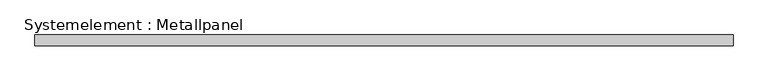
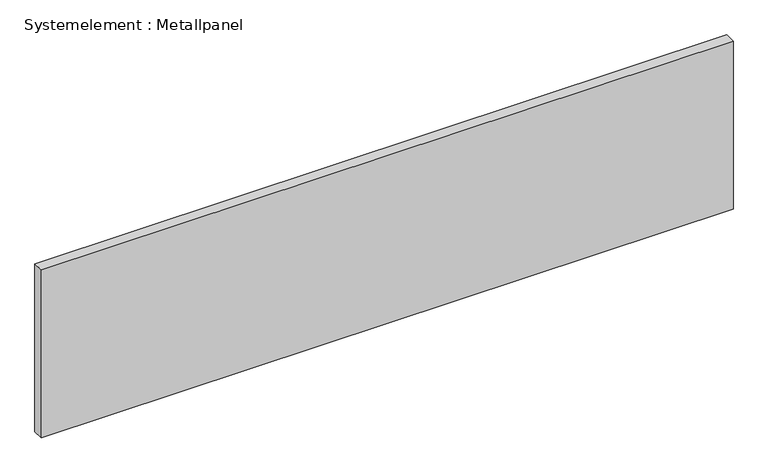
"""IFC4 building model written with IfcOpenShell, lengths in millimetres: plate geometry, Systemelement : Metallpanel."""

from ifc_helpers import new_model, si_unit, origin, origin_with_axes, place, context, project, spatial, polyline, outline, extrude, source, transform, mapped, element, save


def systemelement_metallpanel_b4513d68(model_context):
    return source(origin(), model_context, "Body", "SweptSolid", [
        extrude(outline(polyline([(953.2094797, -15.0), (-953.2094797, -15.0), (-953.2094797, 15.0), (953.2094797, 15.0), (953.2094797, -15.0)])), origin_with_axes(), (0.0, 0.0, 1.0), 490.0),
    ])


if __name__ == "__main__":
    model = new_model("IFC4")
    model_context = context("Model", 3, world=origin())
    ifc_project = project(units=[si_unit("LENGTHUNIT", "METRE", prefix="MILLI")], contexts=[model_context])
    site = spatial("IfcSite", under=ifc_project)
    building = spatial("IfcBuilding", under=site)
    placement = place(None, origin())
    systemelement_metallpanel_shape = systemelement_metallpanel_b4513d68(model_context)
    element("IfcPlate", 1, ObjectType="Systemelement : Metallpanel", at=placement, inside=building, context=model_context, shape_type="MappedRepresentation", body=[
        mapped(systemelement_metallpanel_shape, transform((0.0, 0.0, 0.0), x_axis=(1.0, 0.0, 0.0), y_axis=(0.0, 1.0, 0.0), z_axis=(0.0, 0.0, 1.0))),
    ])
    save(model, "model.ifc")
